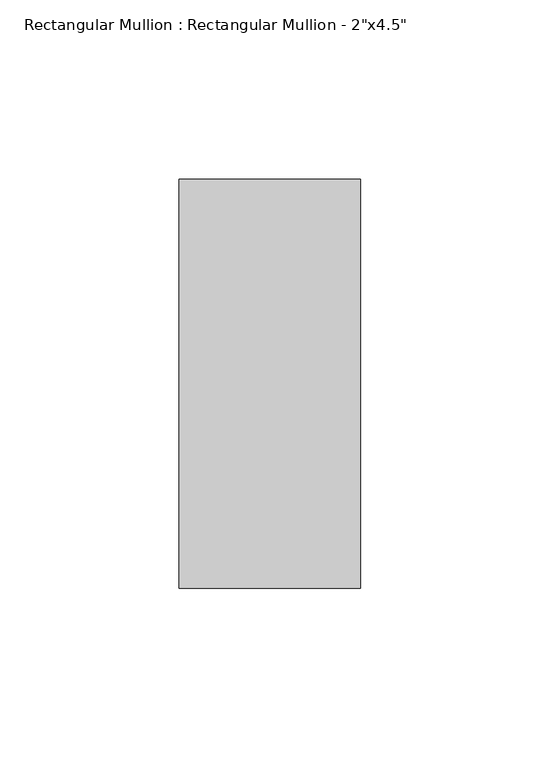
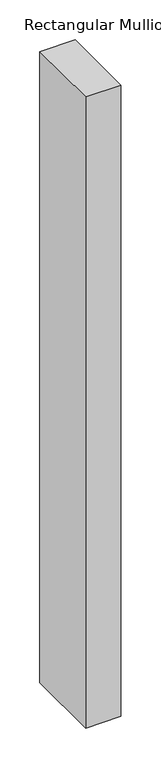
"""IFC4 building model written with IfcOpenShell, lengths in millimetres: member geometry."""

from ifc_helpers import new_model, si_unit, frame, origin, place, context, project, spatial, polyline, outline, extrude, source, transform, mapped, element, save


def member_62f4cde5(model_context):
    return source(origin(), model_context, "Body", "SweptSolid", [
        extrude(outline(polyline([(0.0, 57.15), (0.0, -57.15), (-50.8, -57.15), (-50.8, 57.15), (0.0, 57.15)])), frame((0.0, 0.0, -965.2), z_axis=(0.0, 0.0, 1.0), x_axis=(1.0, 0.0, 0.0)), (0.0, 0.0, 1.0), 965.2),
    ])


if __name__ == "__main__":
    model = new_model("IFC4")
    model_context = context("Model", 3, world=origin())
    ifc_project = project(units=[si_unit("LENGTHUNIT", "METRE", prefix="MILLI")], contexts=[model_context])
    site = spatial("IfcSite", under=ifc_project)
    building = spatial("IfcBuilding", under=site)
    placement = place(None, origin())
    member_shape = member_62f4cde5(model_context)
    element("IfcMember", 1, ObjectType="Rectangular Mullion : Rectangular Mullion - 2\"x4.5\"", at=placement, inside=building, context=model_context, shape_type="MappedRepresentation", body=[
        mapped(member_shape, transform((0.0, 0.0, 0.0), x_axis=(1.0, 0.0, 0.0), y_axis=(0.0, 1.0, 0.0), z_axis=(0.0, 0.0, 1.0))),
    ])
    save(model, "model.ifc")
